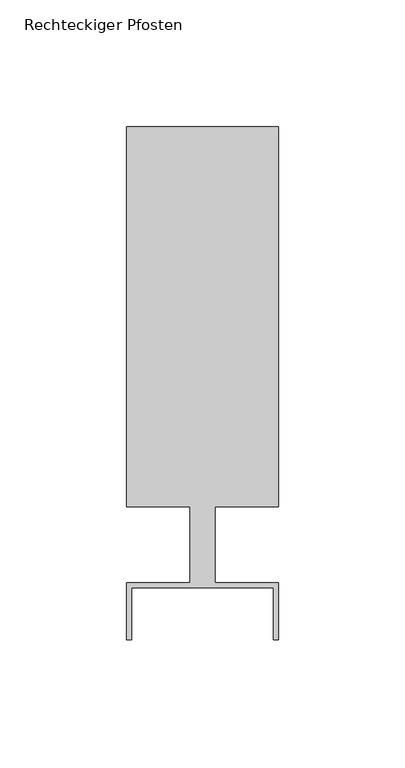
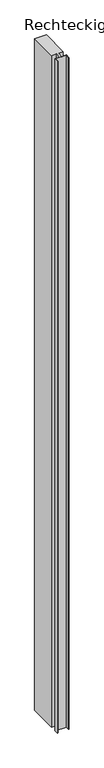
"""IFC4 building model written with IfcOpenShell, lengths in millimetres: member geometry, Rechteckiger Pfosten."""

from ifc_helpers import new_model, si_unit, frame, origin, place, context, project, spatial, polyline, outline, extrude, source, transform, mapped, element, save


def rechteckiger_pfosten_b34a845c(model_context):
    return source(origin(), model_context, "Body", "SweptSolid", [
        extrude(outline(polyline([(-58.0, -37.5), (-60.0, -37.5), (-60.0, -15.0), (-35.0, -15.0), (-35.0, 15.0), (-60.0, 15.0), (-60.0, 165.0), (0.0, 165.0), (0.0, 15.0), (-25.0, 15.0), (-25.0, -15.0), (0.0, -15.0), (0.0, -37.5), (-2.0, -37.5), (-2.0, -17.0), (-58.0, -17.0), (-58.0, -37.5)])), frame((0.0, 0.0, -3650.0), z_axis=(0.0, 0.0, 1.0), x_axis=(1.0, 0.0, 0.0)), (0.0, 0.0, 1.0), 3650.0),
    ])


if __name__ == "__main__":
    model = new_model("IFC4")
    model_context = context("Model", 3, world=origin())
    ifc_project = project(units=[si_unit("LENGTHUNIT", "METRE", prefix="MILLI")], contexts=[model_context])
    site = spatial("IfcSite", under=ifc_project)
    building = spatial("IfcBuilding", under=site)
    placement = place(None, origin())
    rechteckiger_pfosten_shape = rechteckiger_pfosten_b34a845c(model_context)
    element("IfcMember", 1, ObjectType="Rechteckiger Pfosten", at=placement, inside=building, context=model_context, shape_type="MappedRepresentation", body=[
        mapped(rechteckiger_pfosten_shape, transform((0.0, 0.0, 0.0), x_axis=(1.0, 0.0, 0.0), y_axis=(0.0, 1.0, 0.0), z_axis=(0.0, 0.0, 1.0))),
    ])
    save(model, "model.ifc")
